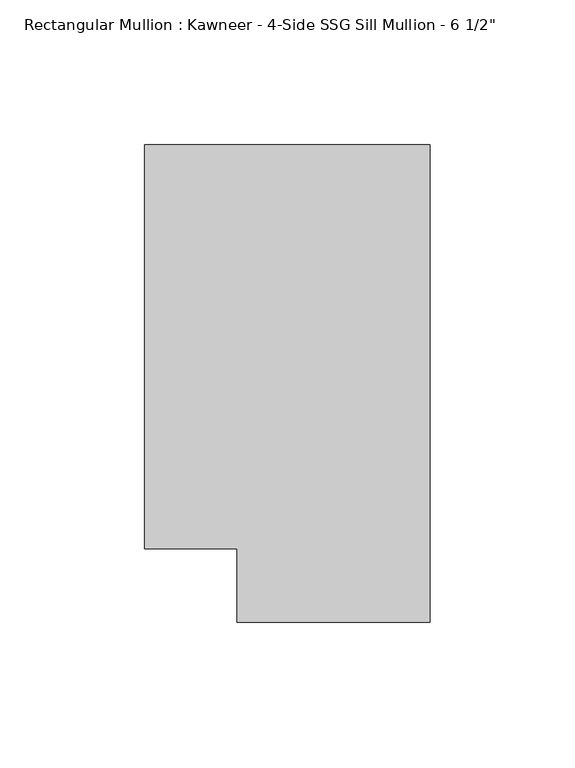
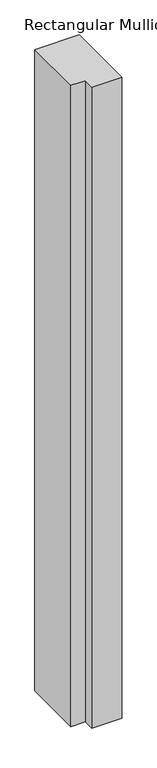
"""IFC4 building model written with IfcOpenShell, lengths in millimetres: member geometry."""

from ifc_helpers import new_model, si_unit, frame, origin, place, context, project, spatial, polyline, outline, extrude, source, transform, mapped, element, save


def member_30b36b4e(model_context):
    return source(origin(), model_context, "Body", "SweptSolid", [
        extrude(outline(polyline([(0.0, 151.892), (0.0, -12.7), (-66.6751132, -12.7), (-66.6751132, 12.7), (-98.425, 12.7), (-98.425, 151.892), (0.0, 151.892)])), frame((0.0, 0.0, -1510.1579859), z_axis=(0.0, 0.0, 1.0), x_axis=(1.0, 0.0, 0.0)), (0.0, 0.0, 1.0), 1510.1579859),
    ])


if __name__ == "__main__":
    model = new_model("IFC4")
    model_context = context("Model", 3, world=origin())
    ifc_project = project(units=[si_unit("LENGTHUNIT", "METRE", prefix="MILLI")], contexts=[model_context])
    site = spatial("IfcSite", under=ifc_project)
    building = spatial("IfcBuilding", under=site)
    placement = place(None, origin())
    member_shape = member_30b36b4e(model_context)
    element("IfcMember", 1, ObjectType="Rectangular Mullion : Kawneer - 4-Side SSG Sill Mullion - 6 1/2\"", at=placement, inside=building, context=model_context, shape_type="MappedRepresentation", body=[
        mapped(member_shape, transform((0.0, 0.0, 0.0), x_axis=(1.0, 0.0, 0.0), y_axis=(0.0, 1.0, 0.0), z_axis=(0.0, 0.0, 1.0))),
    ])
    save(model, "model.ifc")
